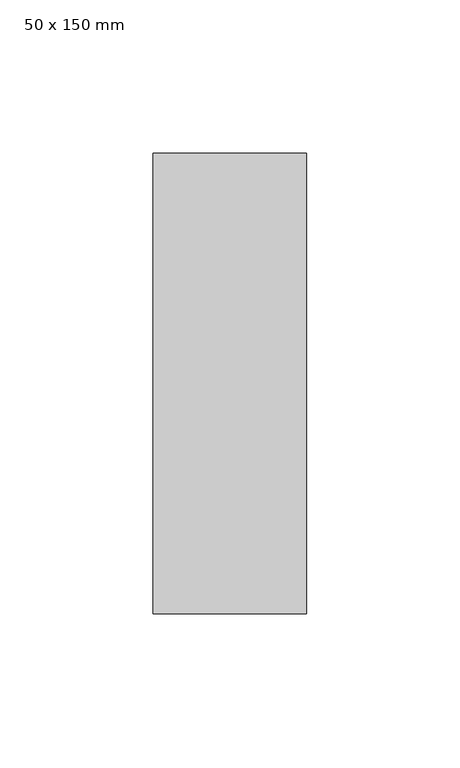
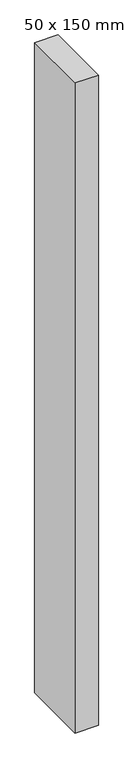
"""IFC4 building model written with IfcOpenShell, lengths in millimetres: member geometry, 50 x 150 mm."""

from ifc_helpers import new_model, si_unit, frame, origin, place, context, project, spatial, polyline, outline, extrude, source, transform, mapped, element, save


def member_50_x_150_mm_b3cd8b2f(model_context):
    return source(origin(), model_context, "Body", "SweptSolid", [
        extrude(outline(polyline([(25.0, 75.0), (25.0, -75.0), (-25.0, -75.0), (-25.0, 75.0), (25.0, 75.0)])), frame((0.0, 0.0, -1475.0), z_axis=(0.0, 0.0, 1.0), x_axis=(1.0, 0.0, 0.0)), (0.0, 0.0, 1.0), 1475.0),
    ])


if __name__ == "__main__":
    model = new_model("IFC4")
    model_context = context("Model", 3, world=origin())
    ifc_project = project(units=[si_unit("LENGTHUNIT", "METRE", prefix="MILLI")], contexts=[model_context])
    site = spatial("IfcSite", under=ifc_project)
    building = spatial("IfcBuilding", under=site)
    placement = place(None, origin())
    member_50_x_150_mm_shape = member_50_x_150_mm_b3cd8b2f(model_context)
    element("IfcMember", 1, ObjectType="50 x 150 mm", at=placement, inside=building, context=model_context, shape_type="MappedRepresentation", body=[
        mapped(member_50_x_150_mm_shape, transform((0.0, 0.0, 0.0), x_axis=(1.0, 0.0, 0.0), y_axis=(0.0, 1.0, 0.0), z_axis=(0.0, 0.0, 1.0))),
    ])
    save(model, "model.ifc")
